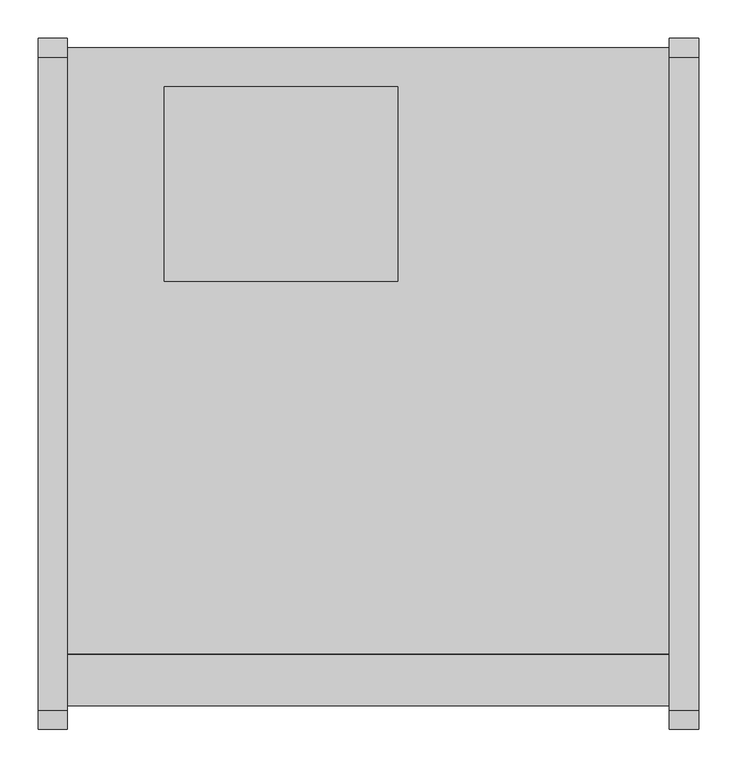
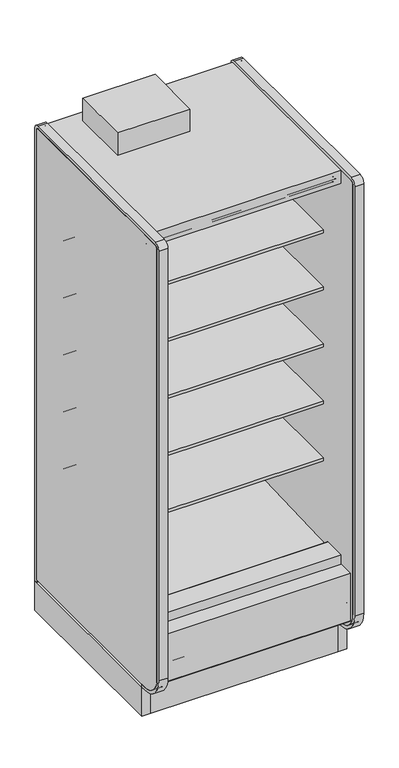
"""IFC4 building model written with IfcOpenShell, lengths in millimetres: proxy geometry."""

import ifcopenshell
import ifcopenshell.guid

model = None  # the IFC model being written
_history = None  # IfcOwnerHistory: only IFC2X3 demands one
_inside = {}  # id of a spatial element -> (the spatial element, [elements in it])
_under = {}  # id of a project, library or spatial element -> (it, [spatial elements below it])
_declared = {}  # id of a project -> (the project, [libraries it declares])
_typed = {}  # id of a type object -> (the type object, [elements of that type])
_made_of = {}  # id of a material, layer set ... -> (it, [elements and type objects made of it])


def new_model(schema):
    """Start an empty IFC model of exactly this schema.

    Asked for "IFC4X3", IfcOpenShell would pick the latest addendum, in which some entities
    have other attributes; the version numbers below select the first issue.
    IFC2X3 requires an IfcOwnerHistory on every rooted entity: one is made here for all.
    """
    global model, _history
    if schema == "IFC4X3":
        model = ifcopenshell.file(schema_version=(4, 3, 0, 0))
    else:
        model = ifcopenshell.file(schema=schema)
    _inside.clear()
    _under.clear()
    _declared.clear()
    _typed.clear()
    _made_of.clear()
    _history = None
    if model.schema == "IFC2X3":
        org = make("IfcOrganization", Name="unknown")
        user = make(
            "IfcPersonAndOrganization",
            ThePerson=make("IfcPerson", FamilyName="unknown"),
            TheOrganization=org,
        )
        app = make(
            "IfcApplication",
            ApplicationDeveloper=org,
            Version="unknown",
            ApplicationFullName="unknown",
            ApplicationIdentifier="unknown",
        )
        _history = make(
            "IfcOwnerHistory",
            OwningUser=user,
            OwningApplication=app,
            ChangeAction="ADDED",
            CreationDate=0,
        )
    return model


def make(cls, **values):
    """One entity of the class cls with the attributes given. An attribute that is None is left unset."""
    return model.create_entity(
        cls, **{name: value for name, value in values.items() if value is not None}
    )


def rooted(cls, **values):
    """An entity with a GlobalId (a new one), such as an element, a storey or a relation."""
    return make(cls, GlobalId=ifcopenshell.guid.new(), OwnerHistory=_history, **values)


def si_unit(unit_type, name, prefix=None):
    """IfcSIUnit, for example si_unit("LENGTHUNIT", "METRE", prefix="MILLI")."""
    return make("IfcSIUnit", UnitType=unit_type, Prefix=prefix, Name=name)


def assignment(units):
    """IfcUnitAssignment: the units of a project."""
    return None if units is None else make("IfcUnitAssignment", Units=units)


def point(xyz):
    """IfcCartesianPoint."""
    return None if xyz is None else make("IfcCartesianPoint", Coordinates=xyz)


def direction(xyz):
    """IfcDirection."""
    return None if xyz is None else make("IfcDirection", DirectionRatios=xyz)


def frame(location, z_axis=None, x_axis=None):
    """IfcAxis2Placement3D, a coordinate frame: its origin and axes. An axis left out is left unset."""
    return make(
        "IfcAxis2Placement3D",
        Location=point(location),
        Axis=direction(z_axis),
        RefDirection=direction(x_axis),
    )


def frame_2d(location, x_axis=None):
    """IfcAxis2Placement2D, a coordinate frame in the plane: its origin and x axis."""
    return make(
        "IfcAxis2Placement2D", Location=point(location), RefDirection=direction(x_axis)
    )


def origin():
    """The frame at (0, 0, 0) with its axes left unset."""
    return frame((0.0, 0.0, 0.0))


def origin_with_axes():
    """The frame at (0, 0, 0) with the z axis (0, 0, 1) and the x axis (1, 0, 0) written out."""
    return frame((0.0, 0.0, 0.0), z_axis=(0.0, 0.0, 1.0), x_axis=(1.0, 0.0, 0.0))


def place(relative_to, where):
    """IfcLocalPlacement: puts the frame where relative to a parent placement (None: the world)."""
    return make(
        "IfcLocalPlacement", PlacementRelTo=relative_to, RelativePlacement=where
    )


def context(
    kind, dimensions, precision=None, world=None, true_north=None, identifier=None
):
    """IfcGeometricRepresentationContext, for example the 3D "Model" context."""
    return make(
        "IfcGeometricRepresentationContext",
        ContextIdentifier=identifier,
        ContextType=kind,
        CoordinateSpaceDimension=dimensions,
        Precision=precision,
        WorldCoordinateSystem=world,
        TrueNorth=true_north,
    )


def project(units=None, contexts=None):
    """IfcProject with its units and contexts."""
    return rooted(
        "IfcProject",
        Name="project",
        RepresentationContexts=contexts,
        UnitsInContext=assignment(units),
    )


def spatial(cls, under=None, at=None, **own):
    """A site, building, storey or space (cls), placed at a placement, below another one or the project."""
    s = rooted(cls, ObjectPlacement=at, **own)
    if under is not None:
        _under.setdefault(under.id(), (under, []))[1].append(s)
    return s


def polyline(points):
    """IfcPolyline through the points."""
    return make("IfcPolyline", Points=[point(p) for p in points])


def circle_curve(where, radius):
    """IfcCircle in the frame where."""
    return make("IfcCircle", Position=where, Radius=radius)


def trimmed(basis, trim1, trim2, sense, master):
    """IfcTrimmedCurve: the piece of a basis curve between two trims."""
    return make(
        "IfcTrimmedCurve",
        BasisCurve=basis,
        Trim1=trim1,
        Trim2=trim2,
        SenseAgreement=sense,
        MasterRepresentation=master,
    )


def segment(curve, same_sense, transition):
    """IfcCompositeCurveSegment."""
    return make(
        "IfcCompositeCurveSegment",
        Transition=transition,
        SameSense=same_sense,
        ParentCurve=curve,
    )


def composite_curve(segments, self_intersect=None):
    """IfcCompositeCurve: segments joined end to end."""
    return make("IfcCompositeCurve", Segments=segments, SelfIntersect=self_intersect)


def outline(outer, holes=None, kind="AREA"):
    """IfcArbitraryClosedProfileDef: a profile drawn as a closed curve; with holes, ...WithVoids."""
    if holes is None:
        return make("IfcArbitraryClosedProfileDef", ProfileType=kind, OuterCurve=outer)
    return make(
        "IfcArbitraryProfileDefWithVoids",
        ProfileType=kind,
        OuterCurve=outer,
        InnerCurves=holes,
    )


def extrude(swept, where, along, depth):
    """IfcExtrudedAreaSolid: the profile swept, set in the frame where, extruded along a direction by depth."""
    return make(
        "IfcExtrudedAreaSolid",
        SweptArea=swept,
        Position=where,
        ExtrudedDirection=direction(along),
        Depth=depth,
    )


def shape(context_of_items, identifier, shape_type, items):
    """IfcShapeRepresentation: the items that make up one representation, for example the "Body"."""
    return make(
        "IfcShapeRepresentation",
        ContextOfItems=context_of_items,
        RepresentationIdentifier=identifier,
        RepresentationType=shape_type,
        Items=items,
    )


def source(mapping_origin, context_of_items, identifier, shape_type, items):
    """IfcRepresentationMap: a shape defined once, which mapped items show again and again."""
    return make(
        "IfcRepresentationMap",
        MappingOrigin=mapping_origin,
        MappedRepresentation=shape(context_of_items, identifier, shape_type, items),
    )


def transform(
    local_origin,
    x_axis=None,
    y_axis=None,
    z_axis=None,
    scale=None,
    scale2=None,
    scale3=None,
    uniform=True,
):
    """IfcCartesianTransformationOperator3D, or its non-uniform kind. x_axis, y_axis, z_axis: its Axis1, 2, 3."""
    if uniform:
        return make(
            "IfcCartesianTransformationOperator3D",
            Axis1=direction(x_axis),
            Axis2=direction(y_axis),
            LocalOrigin=point(local_origin),
            Scale=scale,
            Axis3=direction(z_axis),
        )
    return make(
        "IfcCartesianTransformationOperator3DnonUniform",
        Axis1=direction(x_axis),
        Axis2=direction(y_axis),
        LocalOrigin=point(local_origin),
        Scale=scale,
        Axis3=direction(z_axis),
        Scale2=scale2,
        Scale3=scale3,
    )


def mapped(mapping_source, mapping_target):
    """IfcMappedItem: shows the shape of a source again, moved by a transform."""
    return make(
        "IfcMappedItem", MappingSource=mapping_source, MappingTarget=mapping_target
    )


def made_of(thing, what):
    """Note that an element or type object is made of a material, layer set ...; save() writes the relation."""
    if what is not None:
        _made_of.setdefault(what.id(), (what, []))[1].append(thing)
    return thing


def element(
    cls,
    number,
    at=None,
    inside=None,
    cuts=None,
    type_object=None,
    material=None,
    context=None,
    identifier="Body",
    shape_type=None,
    held_by="IfcProductDefinitionShape",
    body=None,
    shapes=None,
    **own,
):
    """One element of the class cls, such as IfcWall. Its Tag is "e" and its number.

    at: its placement. inside: the storey or other place that contains it. cuts: it is an
    opening in that element (IfcRelVoidsElement). A single representation is given by context,
    identifier, shape_type and body (its items); several are given by shapes. held_by: the class
    of the entity that holds the representations. save() writes the other relations.
    """
    e = rooted(cls, Tag="e%d" % number, ObjectPlacement=at, **own)
    if body is not None:
        shapes = [shape(context, identifier, shape_type, body)]
    if shapes is not None:
        e.Representation = make(held_by, Representations=shapes)
    if inside is not None:
        _inside.setdefault(inside.id(), (inside, []))[1].append(e)
    if cuts is not None:
        rooted(
            "IfcRelVoidsElement", RelatingBuildingElement=cuts, RelatedOpeningElement=e
        )
    if type_object is not None:
        _typed.setdefault(type_object.id(), (type_object, []))[1].append(e)
    return made_of(e, material)


def aggregate(whole, parts):
    """IfcRelAggregates: a whole, such as a stair, and the parts it consists of."""
    return rooted("IfcRelAggregates", RelatingObject=whole, RelatedObjects=parts)


def save(model, path):
    """Write the relations noted so far, then the file.

    IfcRelAggregates (storeys below a building ...), IfcRelContainedInSpatialStructure (elements
    in a storey), IfcRelDefinesByType, IfcRelAssociatesMaterial and IfcRelDeclares: one each for
    every whole, place, type object, material and project.
    """
    for whole, parts in _under.values():
        aggregate(whole, parts)
    for where, things in _inside.values():
        rooted(
            "IfcRelContainedInSpatialStructure",
            RelatedElements=things,
            RelatingStructure=where,
        )
    for kind, things in _typed.values():
        rooted("IfcRelDefinesByType", RelatedObjects=things, RelatingType=kind)
    for what, things in _made_of.values():
        rooted("IfcRelAssociatesMaterial", RelatedObjects=things, RelatingMaterial=what)
    for by, libraries in _declared.values():
        rooted("IfcRelDeclares", RelatingContext=by, RelatedDefinitions=libraries)
    model.write(path)


def mechanical_equipment_355ec81e(model_context):
    return source(origin(), model_context, "Body", "SweptSolid", [
        extrude(outline(polyline([(0.0, -76.2), (0.0, 0.0), (787.4, 0.0), (787.4, -76.2), (0.0, -76.2)])), frame((787.4, -1069.7024444, 2067.8753304), z_axis=(0.0, 0.08686991344759683, 0.9962196635971442), x_axis=(-1.0, 0.0, 0.0)), (0.0, 0.0, 1.0), 13.49375),
        extrude(outline(polyline([(-1116.7224764, 0.0), (-1116.7224764, 200.9830033), (-1104.0224764, 190.326438), (-1104.0224764, 0.0), (-1116.7224764, 0.0)])), frame((0.0, 0.0, 0.0), z_axis=(1.0, 0.0, 0.0), x_axis=(0.0, 1.0, 0.0)), (0.0, 0.0, 1.0), 787.4),
        extrude(outline(composite_curve([segment(polyline([(-453.852044, 1714.883004), (-464.9599362, 1714.6666869)]), True, "CONTINUOUS"), segment(trimmed(circle_curve(frame_2d((-465.4478819, 1739.7227147)), 25.0607786), [point((-464.9599362, 1714.6666869))], [point((-481.3552045, 1720.3578055))], False, "CARTESIAN"), True, "CONTINUOUS"), segment(polyline([(-481.3552045, 1720.3578055), (-519.5769051, 1751.4410741)]), True, "CONTINUOUS"), segment(trimmed(circle_curve(frame_2d((-559.6413782, 1702.1755893)), 63.5), [point((-519.5769051, 1751.4410741))], [point((-552.7883688, 1765.304713))], True, "CARTESIAN"), True, "CONTINUOUS"), segment(polyline([(-552.7883688, 1765.304713), (-892.1960421, 1797.9152031), (-892.1960421, 1802.1995295), (-1012.652044, 1802.1995295), (-1012.652044, 1815.6932795), (-453.852044, 1815.6932795), (-453.852044, 1714.883004)]), True, "CONTINUOUS")], self_intersect=False)), frame((0.0, 0.0, 0.0), z_axis=(1.0, 0.0, 0.0), x_axis=(0.0, 1.0, 0.0)), (0.0, 0.0, 1.0), 787.4),
        extrude(outline(composite_curve([segment(polyline([(-453.852044, 698.883004), (-464.9599362, 698.6666869)]), True, "CONTINUOUS"), segment(trimmed(circle_curve(frame_2d((-465.4478819, 723.7227147)), 25.0607786), [point((-464.9599362, 698.6666869))], [point((-481.3552045, 704.3578055))], False, "CARTESIAN"), True, "CONTINUOUS"), segment(polyline([(-481.3552045, 704.3578055), (-519.5769051, 735.4410741)]), True, "CONTINUOUS"), segment(trimmed(circle_curve(frame_2d((-559.6413782, 686.1755893)), 63.5), [point((-519.5769051, 735.4410741))], [point((-552.7883688, 749.304713))], True, "CARTESIAN"), True, "CONTINUOUS"), segment(polyline([(-552.7883688, 749.304713), (-892.1960421, 781.9152031), (-892.1960421, 786.1995295), (-1012.652044, 786.1995295), (-1012.652044, 799.6932795), (-453.852044, 799.6932795), (-453.852044, 698.883004)]), True, "CONTINUOUS")], self_intersect=False)), frame((0.0, 0.0, 0.0), z_axis=(1.0, 0.0, 0.0), x_axis=(0.0, 1.0, 0.0)), (0.0, 0.0, 1.0), 787.4),
        extrude(outline(composite_curve([segment(polyline([(-453.852044, 952.883004), (-464.9599362, 952.6666869)]), True, "CONTINUOUS"), segment(trimmed(circle_curve(frame_2d((-465.4478819, 977.7227147)), 25.0607786), [point((-464.9599362, 952.6666869))], [point((-481.3552045, 958.3578055))], False, "CARTESIAN"), True, "CONTINUOUS"), segment(polyline([(-481.3552045, 958.3578055), (-519.5769051, 989.4410741)]), True, "CONTINUOUS"), segment(trimmed(circle_curve(frame_2d((-559.6413782, 940.1755893)), 63.5), [point((-519.5769051, 989.4410741))], [point((-552.7883688, 1003.304713))], True, "CARTESIAN"), True, "CONTINUOUS"), segment(polyline([(-552.7883688, 1003.304713), (-892.1960421, 1035.9152031), (-892.1960421, 1040.1995295), (-1012.652044, 1040.1995295), (-1012.652044, 1053.6932795), (-453.852044, 1053.6932795), (-453.852044, 952.883004)]), True, "CONTINUOUS")], self_intersect=False)), frame((0.0, 0.0, 0.0), z_axis=(1.0, 0.0, 0.0), x_axis=(0.0, 1.0, 0.0)), (0.0, 0.0, 1.0), 787.4),
        extrude(outline(composite_curve([segment(polyline([(-453.852044, 1206.883004), (-464.9599362, 1206.6666869)]), True, "CONTINUOUS"), segment(trimmed(circle_curve(frame_2d((-465.4478819, 1231.7227147)), 25.0607786), [point((-464.9599362, 1206.6666869))], [point((-481.3552045, 1212.3578055))], False, "CARTESIAN"), True, "CONTINUOUS"), segment(polyline([(-481.3552045, 1212.3578055), (-519.5769051, 1243.4410741)]), True, "CONTINUOUS"), segment(trimmed(circle_curve(frame_2d((-559.6413782, 1194.1755893)), 63.5), [point((-519.5769051, 1243.4410741))], [point((-552.7883688, 1257.304713))], True, "CARTESIAN"), True, "CONTINUOUS"), segment(polyline([(-552.7883688, 1257.304713), (-892.1960421, 1289.9152031), (-892.1960421, 1294.1995295), (-1012.652044, 1294.1995295), (-1012.652044, 1307.6932795), (-453.852044, 1307.6932795), (-453.852044, 1206.883004)]), True, "CONTINUOUS")], self_intersect=False)), frame((0.0, 0.0, 0.0), z_axis=(1.0, 0.0, 0.0), x_axis=(0.0, 1.0, 0.0)), (0.0, 0.0, 1.0), 787.4),
        extrude(outline(composite_curve([segment(polyline([(-453.852044, 1460.883004), (-464.9599362, 1460.6666869)]), True, "CONTINUOUS"), segment(trimmed(circle_curve(frame_2d((-465.4478819, 1485.7227147)), 25.0607786), [point((-464.9599362, 1460.6666869))], [point((-481.3552045, 1466.3578055))], False, "CARTESIAN"), True, "CONTINUOUS"), segment(polyline([(-481.3552045, 1466.3578055), (-519.5769051, 1497.4410741)]), True, "CONTINUOUS"), segment(trimmed(circle_curve(frame_2d((-559.6413782, 1448.1755893)), 63.5), [point((-519.5769051, 1497.4410741))], [point((-552.7883688, 1511.304713))], True, "CARTESIAN"), True, "CONTINUOUS"), segment(polyline([(-552.7883688, 1511.304713), (-892.1960421, 1543.9152031), (-892.1960421, 1548.1995295), (-1012.652044, 1548.1995295), (-1012.652044, 1561.6932795), (-453.852044, 1561.6932795), (-453.852044, 1460.883004)]), True, "CONTINUOUS")], self_intersect=False)), frame((0.0, 0.0, 0.0), z_axis=(1.0, 0.0, 0.0), x_axis=(0.0, 1.0, 0.0)), (0.0, 0.0, 1.0), 787.4),
        extrude(outline(composite_curve([segment(trimmed(circle_curve(frame_2d((-1205.2112901, 192.5834383)), 3.175), [point((-1203.6237901, 189.8338076))], [point((-1208.3862901, 192.5834383))], False, "CARTESIAN"), True, "CONTINUOUS"), segment(polyline([(-1208.3862901, 192.5834383), (-1208.3862901, 404.4766923), (-1140.7995461, 404.4766923), (-1140.7995461, 389.4530238), (-1191.4362273, 389.4530238), (-1191.4362273, 263.6779615), (-1151.099162, 229.8208457), (-1203.6237901, 189.8338076)]), True, "CONTINUOUS")], self_intersect=False)), frame((0.0, 0.0, 0.0), z_axis=(1.0, 0.0, 0.0), x_axis=(0.0, 1.0, 0.0)), (0.0, 0.0, 1.0), 787.4),
        extrude(outline(polyline([(-957.9724764, 130.5306), (-957.9724764, 0.0), (-1116.7224764, 0.0), (-1116.7224764, 200.9830033), (-1032.7605717, 130.5306), (-957.9724764, 130.5306)])), frame((0.0, 0.0, 0.0), z_axis=(1.0, 0.0, 0.0), x_axis=(0.0, 1.0, 0.0)), (0.0, 0.0, 1.0), 787.4),
        extrude(outline(polyline([(431.8, -399.1724764), (431.8, -653.1724764), (127.0, -653.1724764), (127.0, -399.1724764), (431.8, -399.1724764)])), frame((0.0, 0.0, 2160.5892404), z_axis=(0.0, 0.0, 1.0), x_axis=(1.0, 0.0, 0.0)), (0.0, 0.0, 1.0), 100.0107596),
        extrude(outline(polyline([(-1032.7605717, 130.5306), (-1191.4362273, 263.6752841), (-1191.4362273, 389.4530238), (-1140.7995461, 389.4530238), (-1140.7995461, 291.8489814), (-1030.1279807, 198.9845117), (-1014.582444, 199.5273738), (-969.0109428, 166.5598124), (-899.9654388, 168.9709345), (-859.8822128, 202.4654113), (-402.3474764, 229.9627575), (-402.3474764, 2101.1826079), (-1140.7995461, 2101.1826079), (-1140.7995461, 2159.0), (-348.3724764, 2159.0), (-348.3724764, 130.5306), (-1032.7605717, 130.5306)])), frame((0.0, 0.0, 0.0), z_axis=(1.0, 0.0, 0.0), x_axis=(0.0, 1.0, 0.0)), (0.0, 0.0, 1.0), 787.4),
        extrude(outline(composite_curve([segment(polyline([(-610.9918112, 2075.7826079), (-992.875881, 2075.7826079), (-992.8481892, 2077.4254758), (-1070.7201873, 2084.2158796), (-1070.7201873, 2074.3348079)]), True, "CONTINUOUS"), segment(trimmed(circle_curve(frame_2d((-1073.2601873, 2074.3348079)), 2.54), [point((-1070.7201873, 2074.3348079))], [point((-1073.2601873, 2071.7948079))], False, "CARTESIAN"), True, "CONTINUOUS"), segment(polyline([(-1073.2601873, 2071.7948079), (-1082.4803873, 2071.7948079)]), True, "CONTINUOUS"), segment(trimmed(circle_curve(frame_2d((-1082.4803873, 2074.3348079)), 2.54), [point((-1082.4803873, 2071.7948079))], [point((-1085.0203873, 2074.3348079))], False, "CARTESIAN"), True, "CONTINUOUS"), segment(polyline([(-1085.0203873, 2074.3348079), (-1085.0203873, 2094.529083)]), True, "CONTINUOUS"), segment(trimmed(circle_curve(frame_2d((-1087.5603873, 2094.529083)), 2.54), [point((-1085.0203873, 2094.529083))], [point((-1087.5603873, 2097.069083))], True, "CARTESIAN"), True, "CONTINUOUS"), segment(polyline([(-1087.5603873, 2097.069083), (-1101.5303873, 2097.069083)]), True, "CONTINUOUS"), segment(trimmed(circle_curve(frame_2d((-1101.5303873, 2099.609083)), 2.54), [point((-1101.5303873, 2097.069083))], [point((-1104.0703873, 2099.609083))], False, "CARTESIAN"), True, "CONTINUOUS"), segment(polyline([(-1104.0703873, 2099.609083), (-1104.0703873, 2101.1826079), (-402.3474764, 2101.1826079), (-402.3474764, 445.9092331), (-453.852044, 445.9092331), (-453.852044, 2075.7826079), (-610.9918112, 2075.7826079)]), True, "CONTINUOUS")], self_intersect=False)), frame((0.0, 0.0, 0.0), z_axis=(1.0, 0.0, 0.0), x_axis=(0.0, 1.0, 0.0)), (0.0, 0.0, 1.0), 787.4),
        extrude(outline(composite_curve([segment(polyline([(-453.852044, 445.9092331), (-402.3474764, 445.9092331), (-402.3474764, 229.9627575), (-859.8822128, 202.4654113), (-899.9654388, 168.9709345), (-969.0109428, 166.5598124), (-1014.582444, 199.5273738), (-1030.1279807, 198.9845117), (-1140.7995461, 291.8489814), (-1140.7995461, 445.9478), (-1046.459444, 445.9478)]), True, "CONTINUOUS"), segment(trimmed(circle_curve(frame_2d((-1046.459444, 443.8904)), 2.0574), [point((-1046.459444, 445.9478))], [point((-1044.402044, 443.8904))], False, "CARTESIAN"), True, "CONTINUOUS"), segment(polyline([(-1044.402044, 443.8904), (-1044.402044, 423.8521774), (-453.852044, 445.9092331)]), True, "CONTINUOUS")], self_intersect=False)), frame((0.0, 0.0, 0.0), z_axis=(1.0, 0.0, 0.0), x_axis=(0.0, 1.0, 0.0)), (0.0, 0.0, 1.0), 787.4),
        extrude(outline(polyline([(-957.9724764, 0.0), (-957.9724764, 130.5306), (-348.3724764, 130.5306), (-348.3724764, 0.0), (-394.3083324, 0.0), (-394.3083324, 74.8810382), (-886.6366205, 74.8810382), (-886.6366205, 0.0), (-957.9724764, 0.0)])), frame((0.0, 0.0, 0.0), z_axis=(1.0, 0.0, 0.0), x_axis=(0.0, 1.0, 0.0)), (0.0, 0.0, 1.0), 787.4),
        extrude(outline(composite_curve([segment(polyline([(-1214.1946273, 2159.0), (-361.0724764, 2159.0)]), True, "CONTINUOUS"), segment(trimmed(circle_curve(frame_2d((-361.0724764, 2146.3)), 12.7), [point((-361.0724764, 2159.0))], [point((-348.3724764, 2146.3))], False, "CARTESIAN"), True, "CONTINUOUS"), segment(polyline([(-348.3724764, 2146.3), (-348.3724764, 143.2306), (-1137.9946273, 143.2306)]), True, "CONTINUOUS"), segment(trimmed(circle_curve(frame_2d((-1137.9946273, 232.1306)), 88.9), [point((-1137.9946273, 143.2306))], [point((-1226.8946273, 232.1306))], False, "CARTESIAN"), True, "CONTINUOUS"), segment(polyline([(-1226.8946273, 232.1306), (-1226.8946273, 2146.3)]), True, "CONTINUOUS"), segment(trimmed(circle_curve(frame_2d((-1214.1946273, 2146.3)), 12.7), [point((-1226.8946273, 2146.3))], [point((-1214.1946273, 2159.0))], False, "CARTESIAN"), True, "CONTINUOUS")], self_intersect=False)), frame((-38.1, 0.0, 0.0), z_axis=(1.0, 0.0, 0.0), x_axis=(0.0, 1.0, 0.0)), (0.0, 0.0, 1.0), 38.1),
        extrude(outline(composite_curve([segment(polyline([(-1239.5946273, 232.1306), (-1239.5946273, 2146.3)]), True, "CONTINUOUS"), segment(trimmed(circle_curve(frame_2d((-1214.1946273, 2146.3)), 25.4), [point((-1239.5946273, 2146.3))], [point((-1214.1946273, 2171.7))], False, "CARTESIAN"), True, "CONTINUOUS"), segment(polyline([(-1214.1946273, 2171.7), (-361.0724764, 2171.7)]), True, "CONTINUOUS"), segment(trimmed(circle_curve(frame_2d((-361.0724764, 2146.3)), 25.4), [point((-361.0724764, 2171.7))], [point((-335.6724764, 2146.3))], False, "CARTESIAN"), True, "CONTINUOUS"), segment(polyline([(-335.6724764, 2146.3), (-335.6724764, 130.5306), (-348.3724764, 130.5306), (-348.3724764, 2146.3)]), True, "CONTINUOUS"), segment(trimmed(circle_curve(frame_2d((-361.0724764, 2146.3)), 12.7), [point((-348.3724764, 2146.3))], [point((-361.0724764, 2159.0))], True, "CARTESIAN"), True, "CONTINUOUS"), segment(polyline([(-361.0724764, 2159.0), (-1214.1946273, 2159.0)]), True, "CONTINUOUS"), segment(trimmed(circle_curve(frame_2d((-1214.1946273, 2146.3)), 12.7), [point((-1214.1946273, 2159.0))], [point((-1226.8946273, 2146.3))], True, "CARTESIAN"), True, "CONTINUOUS"), segment(polyline([(-1226.8946273, 2146.3), (-1226.8946273, 232.1306)]), True, "CONTINUOUS"), segment(trimmed(circle_curve(frame_2d((-1137.9946273, 232.1306)), 88.9), [point((-1226.8946273, 232.1306))], [point((-1137.9946273, 143.2306))], True, "CARTESIAN"), True, "CONTINUOUS"), segment(polyline([(-1137.9946273, 143.2306), (-1116.7224764, 143.2306), (-1116.7224764, 130.5306), (-1137.9946273, 130.5306)]), True, "CONTINUOUS"), segment(trimmed(circle_curve(frame_2d((-1137.9946273, 232.1306)), 101.6), [point((-1137.9946273, 130.5306))], [point((-1239.5946273, 232.1306))], False, "CARTESIAN"), True, "CONTINUOUS")], self_intersect=False)), frame((-38.1, 0.0, 0.0), z_axis=(1.0, 0.0, 0.0), x_axis=(0.0, 1.0, 0.0)), (0.0, 0.0, 1.0), 38.1),
        extrude(outline(composite_curve([segment(polyline([(-1239.5946273, 232.1306), (-1239.5946273, 2146.3)]), True, "CONTINUOUS"), segment(trimmed(circle_curve(frame_2d((-1214.1946273, 2146.3)), 25.4), [point((-1239.5946273, 2146.3))], [point((-1214.1946273, 2171.7))], False, "CARTESIAN"), True, "CONTINUOUS"), segment(polyline([(-1214.1946273, 2171.7), (-361.0724764, 2171.7)]), True, "CONTINUOUS"), segment(trimmed(circle_curve(frame_2d((-361.0724764, 2146.3)), 25.4), [point((-361.0724764, 2171.7))], [point((-335.6724764, 2146.3))], False, "CARTESIAN"), True, "CONTINUOUS"), segment(polyline([(-335.6724764, 2146.3), (-335.6724764, 130.5306), (-348.3724764, 130.5306), (-348.3724764, 2146.3)]), True, "CONTINUOUS"), segment(trimmed(circle_curve(frame_2d((-361.0724764, 2146.3)), 12.7), [point((-348.3724764, 2146.3))], [point((-361.0724764, 2159.0))], True, "CARTESIAN"), True, "CONTINUOUS"), segment(polyline([(-361.0724764, 2159.0), (-1214.1946273, 2159.0)]), True, "CONTINUOUS"), segment(trimmed(circle_curve(frame_2d((-1214.1946273, 2146.3)), 12.7), [point((-1214.1946273, 2159.0))], [point((-1226.8946273, 2146.3))], True, "CARTESIAN"), True, "CONTINUOUS"), segment(polyline([(-1226.8946273, 2146.3), (-1226.8946273, 232.1306)]), True, "CONTINUOUS"), segment(trimmed(circle_curve(frame_2d((-1137.9946273, 232.1306)), 88.9), [point((-1226.8946273, 232.1306))], [point((-1137.9946273, 143.2306))], True, "CARTESIAN"), True, "CONTINUOUS"), segment(polyline([(-1137.9946273, 143.2306), (-1116.7224764, 143.2306), (-1116.7224764, 130.5306), (-1137.9946273, 130.5306)]), True, "CONTINUOUS"), segment(trimmed(circle_curve(frame_2d((-1137.9946273, 232.1306)), 101.6), [point((-1137.9946273, 130.5306))], [point((-1239.5946273, 232.1306))], False, "CARTESIAN"), True, "CONTINUOUS")], self_intersect=False)), frame((787.4, 0.0, 0.0), z_axis=(1.0, 0.0, 0.0), x_axis=(0.0, 1.0, 0.0)), (0.0, 0.0, 1.0), 38.1),
        extrude(outline(composite_curve([segment(polyline([(-1214.1946273, 2159.0), (-361.0724764, 2159.0)]), True, "CONTINUOUS"), segment(trimmed(circle_curve(frame_2d((-361.0724764, 2146.3)), 12.7), [point((-361.0724764, 2159.0))], [point((-348.3724764, 2146.3))], False, "CARTESIAN"), True, "CONTINUOUS"), segment(polyline([(-348.3724764, 2146.3), (-348.3724764, 143.2306), (-1137.9946273, 143.2306)]), True, "CONTINUOUS"), segment(trimmed(circle_curve(frame_2d((-1137.9946273, 232.1306)), 88.9), [point((-1137.9946273, 143.2306))], [point((-1226.8946273, 232.1306))], False, "CARTESIAN"), True, "CONTINUOUS"), segment(polyline([(-1226.8946273, 232.1306), (-1226.8946273, 2146.3)]), True, "CONTINUOUS"), segment(trimmed(circle_curve(frame_2d((-1214.1946273, 2146.3)), 12.7), [point((-1226.8946273, 2146.3))], [point((-1214.1946273, 2159.0))], False, "CARTESIAN"), True, "CONTINUOUS")], self_intersect=False)), frame((787.4, 0.0, 0.0), z_axis=(1.0, 0.0, 0.0), x_axis=(0.0, 1.0, 0.0)), (0.0, 0.0, 1.0), 38.1),
        extrude(outline(polyline([(825.5, -335.6724764), (825.5, -1116.7224764), (787.4, -1116.7224764), (787.4, -335.6724764), (825.5, -335.6724764)])), origin_with_axes(), (0.0, 0.0, 1.0), 143.2306),
        extrude(outline(polyline([(457.2, -1044.3321273), (457.2, -1108.244384), (254.0, -1108.244384), (254.0, -1044.3321273), (457.2, -1044.3321273)])), frame((0.0, 0.0, 44.45), z_axis=(0.0, 0.0, 1.0), x_axis=(1.0, 0.0, 0.0)), (0.0, 0.0, 1.0), 6.35),
        extrude(outline(polyline([(0.0, -335.6724764), (0.0, -1116.7224764), (-38.1, -1116.7224764), (-38.1, -335.6724764), (0.0, -335.6724764)])), origin_with_axes(), (0.0, 0.0, 1.0), 130.5306),
        extrude(outline(composite_curve([segment(trimmed(circle_curve(frame_2d((393.7, -936.3821273)), 38.1), [point((355.6, -936.3821273))], [point((431.8, -936.3821273))], False, "CARTESIAN"), True, "CONTINUOUS"), segment(trimmed(circle_curve(frame_2d((393.7, -936.3821273)), 38.1), [point((431.8, -936.3821273))], [point((355.6, -936.3821273))], False, "CARTESIAN"), True, "CONTINUOUS")], self_intersect=False)), frame((0.0, 0.0, 61.2666507), z_axis=(0.0, 0.0, 1.0), x_axis=(1.0, 0.0, 0.0)), (0.0, 0.0, 1.0), 65.7333493),
        extrude(outline(composite_curve([segment(trimmed(circle_curve(frame_2d((592.1375, -939.5571273)), 12.7), [point((579.4375, -939.5571273))], [point((604.8375, -939.5571273))], False, "CARTESIAN"), True, "CONTINUOUS"), segment(trimmed(circle_curve(frame_2d((592.1375, -939.5571273)), 12.7), [point((604.8375, -939.5571273))], [point((579.4375, -939.5571273))], False, "CARTESIAN"), True, "CONTINUOUS")], self_intersect=False)), frame((0.0, 0.0, 61.2666507), z_axis=(0.0, 0.0, 1.0), x_axis=(1.0, 0.0, 0.0)), (0.0, 0.0, 1.0), 65.7333493),
        extrude(outline(composite_curve([segment(trimmed(circle_curve(frame_2d((541.3375, -939.5571273)), 9.525), [point((531.8125, -939.5571273))], [point((550.8625, -939.5571273))], False, "CARTESIAN"), True, "CONTINUOUS"), segment(trimmed(circle_curve(frame_2d((541.3375, -939.5571273)), 9.525), [point((550.8625, -939.5571273))], [point((531.8125, -939.5571273))], False, "CARTESIAN"), True, "CONTINUOUS")], self_intersect=False)), frame((0.0, 0.0, 61.2666507), z_axis=(0.0, 0.0, 1.0), x_axis=(1.0, 0.0, 0.0)), (0.0, 0.0, 1.0), 65.7333493),
    ])


if __name__ == "__main__":
    model = new_model("IFC4")
    model_context = context("Model", 3, world=origin())
    ifc_project = project(units=[si_unit("LENGTHUNIT", "METRE", prefix="MILLI")], contexts=[model_context])
    site = spatial("IfcSite", under=ifc_project)
    building = spatial("IfcBuilding", under=site)
    placement = place(None, origin())
    mechanical_equipment_shape = mechanical_equipment_355ec81e(model_context)
    element("IfcBuildingElementProxy", 1, Name="Mechanical Equipment", at=placement, inside=building, context=model_context, shape_type="MappedRepresentation", body=[
        mapped(mechanical_equipment_shape, transform((0.0, 0.0, 0.0), x_axis=(1.0, 0.0, 0.0), y_axis=(0.0, 1.0, 0.0), z_axis=(0.0, 0.0, 1.0))),
    ])
    save(model, "model.ifc")
